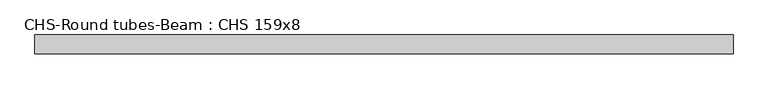
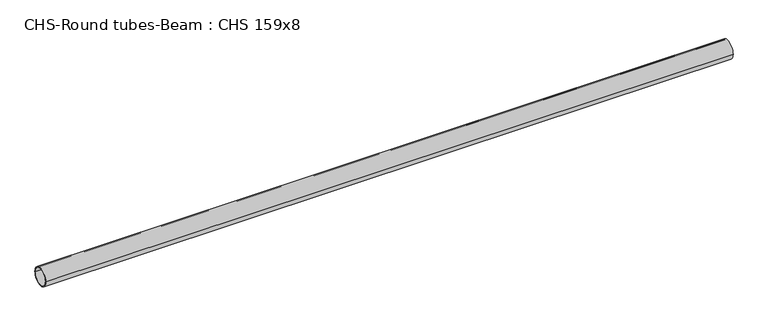
"""IFC4 building model written with IfcOpenShell, lengths in millimetres: beam geometry, CHS-Round tubes-Beam : CHS 159x8."""

from ifc_helpers import new_model, si_unit, point, frame, origin, origin_2d, place, context, project, spatial, circle_curve, trimmed, segment, composite_curve, outline, extrude, source, transform, mapped, element, save


def chs_round_tubes_beam_chs_159x8_50885ead(model_context):
    return source(origin(), model_context, "Body", "SweptSolid", [
        extrude(outline(composite_curve([segment(trimmed(circle_curve(origin_2d(), 79.5), [point((79.5, 0.0))], [point((-79.5, 0.0))], False, "CARTESIAN"), True, "CONTINUOUS"), segment(trimmed(circle_curve(origin_2d(), 79.5), [point((-79.5, 0.0))], [point((79.5, 0.0))], False, "CARTESIAN"), True, "CONTINUOUS")], self_intersect=False), holes=[composite_curve([segment(trimmed(circle_curve(origin_2d(), 71.5), [point((71.5, 0.0))], [point((-71.5, 0.0))], True, "CARTESIAN"), True, "CONTINUOUS"), segment(trimmed(circle_curve(origin_2d(), 71.5), [point((-71.5, 0.0))], [point((71.5, 0.0))], True, "CARTESIAN"), True, "CONTINUOUS")], self_intersect=False)]), frame((-2941.8821254, 0.0, 0.0), z_axis=(1.0, 0.0, 0.0), x_axis=(0.0, 1.0, 0.0)), (0.0, 0.0, 1.0), 5883.7642508),
    ])


if __name__ == "__main__":
    model = new_model("IFC4")
    model_context = context("Model", 3, world=origin())
    ifc_project = project(units=[si_unit("LENGTHUNIT", "METRE", prefix="MILLI")], contexts=[model_context])
    site = spatial("IfcSite", under=ifc_project)
    building = spatial("IfcBuilding", under=site)
    placement = place(None, origin())
    chs_round_tubes_beam_chs_159x8_shape = chs_round_tubes_beam_chs_159x8_50885ead(model_context)
    element("IfcBeam", 1, ObjectType="CHS-Round tubes-Beam : CHS 159x8", at=placement, inside=building, context=model_context, shape_type="MappedRepresentation", body=[
        mapped(chs_round_tubes_beam_chs_159x8_shape, transform((0.0, 0.0, 0.0), x_axis=(1.0, 0.0, 0.0), y_axis=(0.0, 1.0, 0.0), z_axis=(0.0, 0.0, 1.0))),
    ])
    save(model, "model.ifc")
